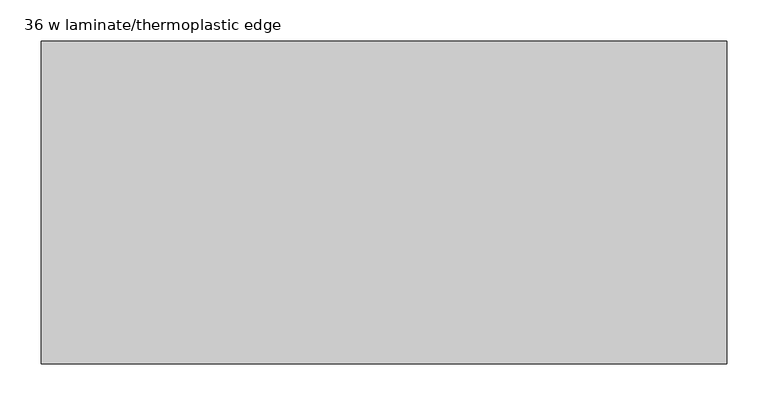
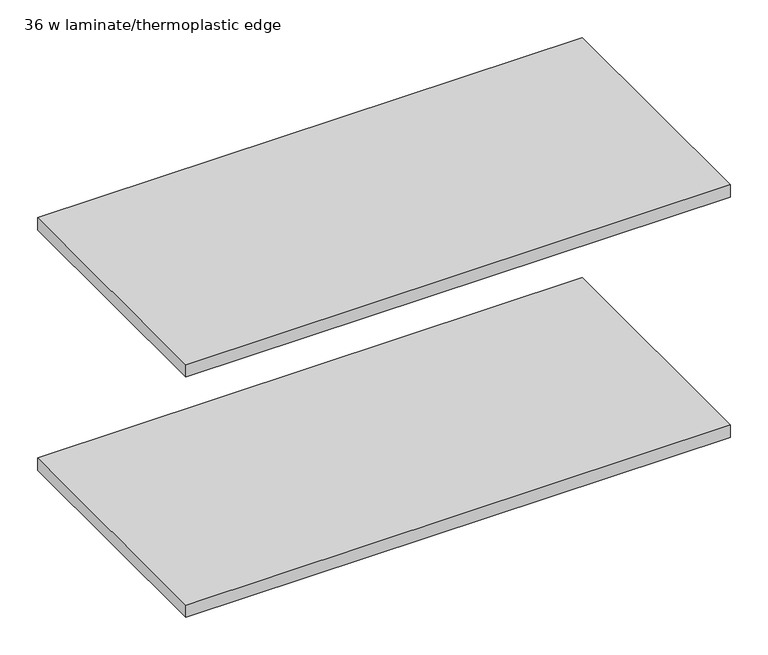
"""IFC4 building model written with IfcOpenShell, lengths in millimetres: furniture geometry, 36 w laminate/thermoplastic edge."""

from ifc_helpers import new_model, si_unit, frame, origin, place, context, project, spatial, polyline, outline, extrude, source, transform, mapped, element, save


def furniture_36_w_laminate_thermoplastic_edge_e269df7f(model_context):
    return source(origin(), model_context, "Body", "SweptSolid", [
        extrude(outline(polyline([(418.0999884, -197.000003), (-418.0999884, -197.000003), (-418.0999884, 197.000003), (418.0999884, 197.000003), (418.0999884, -197.000003)])), frame((0.0, 0.0, 849.7246599), z_axis=(0.0, 0.0, 1.0), x_axis=(1.0, 0.0, 0.0)), (0.0, 0.0, 1.0), 19.9898),
        extrude(outline(polyline([(418.0999884, -197.000003), (-418.0999884, -197.000003), (-418.0999884, 197.000003), (418.0999884, 197.000003), (418.0999884, -197.000003)])), frame((0.0, 0.0, 459.5140712), z_axis=(0.0, 0.0, 1.0), x_axis=(1.0, 0.0, 0.0)), (0.0, 0.0, 1.0), 19.9898),
    ])


if __name__ == "__main__":
    model = new_model("IFC4")
    model_context = context("Model", 3, world=origin())
    ifc_project = project(units=[si_unit("LENGTHUNIT", "METRE", prefix="MILLI")], contexts=[model_context])
    site = spatial("IfcSite", under=ifc_project)
    building = spatial("IfcBuilding", under=site)
    placement = place(None, origin())
    furniture_36_w_laminate_thermoplastic_edge_shape = furniture_36_w_laminate_thermoplastic_edge_e269df7f(model_context)
    element("IfcFurniture", 1, ObjectType="36 w laminate/thermoplastic edge", at=placement, inside=building, context=model_context, shape_type="MappedRepresentation", body=[
        mapped(furniture_36_w_laminate_thermoplastic_edge_shape, transform((0.0, 0.0, 0.0), x_axis=(1.0, 0.0, 0.0), y_axis=(0.0, 1.0, 0.0), z_axis=(0.0, 0.0, 1.0))),
    ])
    save(model, "model.ifc")
